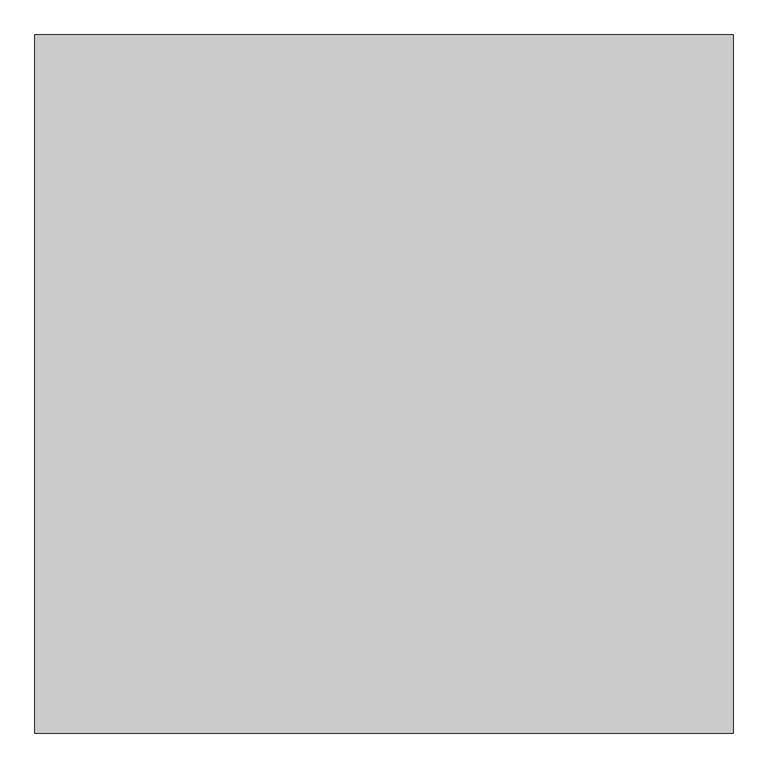
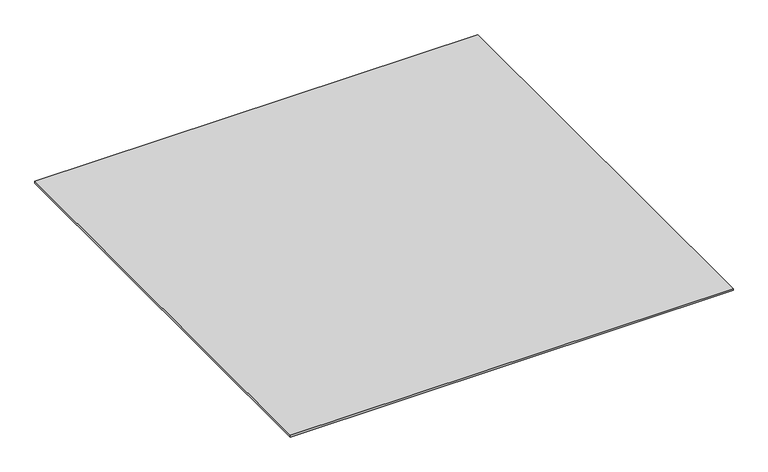
"""IFC4 building model written with IfcOpenShell, lengths in millimetres: proxy geometry."""

from ifc_helpers import new_model, si_unit, origin, origin_with_axes, place, context, project, spatial, polyline, outline, extrude, source, transform, mapped, element, save


def generic_models_ddfdf1a1(model_context):
    return source(origin(), model_context, "Body", "SweptSolid", [
        extrude(outline(polyline([(-5796.9237868, -39487.355679), (-5796.9237868, -40487.355679), (-6796.9237868, -40487.355679), (-6796.9237868, -39487.355679), (-5796.9237868, -39487.355679)])), origin_with_axes(), (0.0, 0.0, 1.0), 4.0),
    ])


if __name__ == "__main__":
    model = new_model("IFC4")
    model_context = context("Model", 3, world=origin())
    ifc_project = project(units=[si_unit("LENGTHUNIT", "METRE", prefix="MILLI")], contexts=[model_context])
    site = spatial("IfcSite", under=ifc_project)
    building = spatial("IfcBuilding", under=site)
    placement = place(None, origin())
    generic_models_shape = generic_models_ddfdf1a1(model_context)
    element("IfcBuildingElementProxy", 1, Name="Generic Models", at=placement, inside=building, context=model_context, shape_type="MappedRepresentation", body=[
        mapped(generic_models_shape, transform((0.0, 0.0, 0.0), x_axis=(1.0, 0.0, 0.0), y_axis=(0.0, 1.0, 0.0), z_axis=(0.0, 0.0, 1.0))),
    ])
    save(model, "model.ifc")
